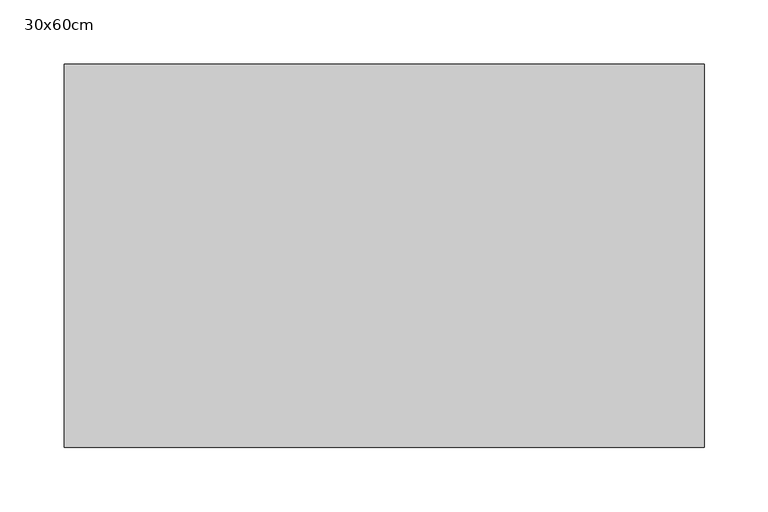
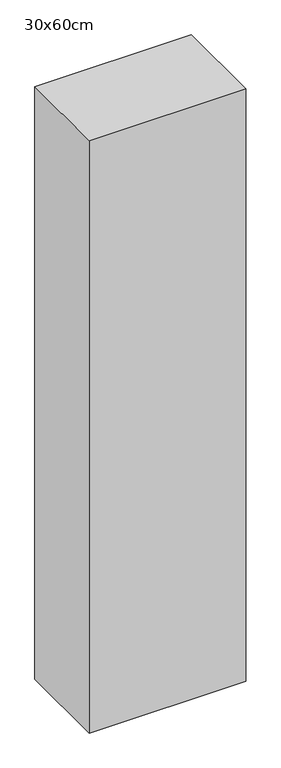
"""IFC4 building model written with IfcOpenShell, lengths in millimetres: proxy geometry, 30x60cm."""

from ifc_helpers import new_model, si_unit, frame, origin, place, context, project, spatial, polyline, outline, extrude, source, transform, mapped, element, save


def proxy_30x60cm_f29a2e74(model_context):
    return source(origin(), model_context, "Body", "SweptSolid", [
        extrude(outline(polyline([(500.0, 300.0), (500.0, 0.0), (0.0, 0.0), (0.0, 300.0), (500.0, 300.0)])), frame((0.0, 0.0, 1000.0), z_axis=(0.0, 0.0, 1.0), x_axis=(1.0, 0.0, 0.0)), (0.0, 0.0, 1.0), 2000.0),
    ])


if __name__ == "__main__":
    model = new_model("IFC4")
    model_context = context("Model", 3, world=origin())
    ifc_project = project(units=[si_unit("LENGTHUNIT", "METRE", prefix="MILLI")], contexts=[model_context])
    site = spatial("IfcSite", under=ifc_project)
    building = spatial("IfcBuilding", under=site)
    placement = place(None, origin())
    proxy_30x60cm_shape = proxy_30x60cm_f29a2e74(model_context)
    element("IfcBuildingElementProxy", 1, Name="30x60cm", ObjectType="30x60cm", at=placement, inside=building, context=model_context, shape_type="MappedRepresentation", body=[
        mapped(proxy_30x60cm_shape, transform((0.0, 0.0, 0.0), x_axis=(1.0, 0.0, 0.0), y_axis=(0.0, 1.0, 0.0), z_axis=(0.0, 0.0, 1.0))),
    ])
    save(model, "model.ifc")
